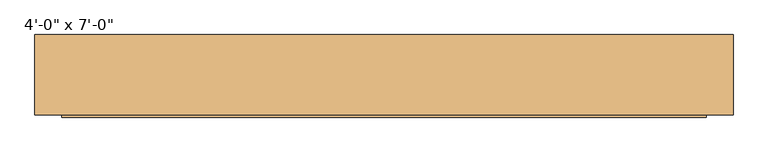
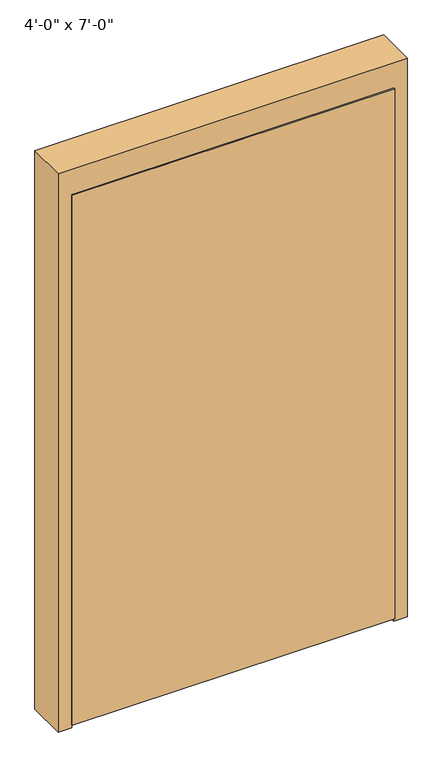
"""IFC4 building model written with IfcOpenShell, lengths in millimetres: door geometry."""

from ifc_helpers import new_model, si_unit, frame, origin, place, context, project, spatial, polyline, outline, extrude, source, transform, mapped, element, save


def door_f51f02f7(model_context):
    return source(origin(), model_context, "Body", "SweptSolid", [
        extrude(outline(polyline([(0.0, -609.6), (0.0, -596.9), (2120.9, -596.9), (2120.9, 596.9), (0.0, 596.9), (0.0, 609.6), (2133.6, 609.6), (2133.6, -609.6), (0.0, -609.6)])), frame((0.0, -20.6375, 0.0), z_axis=(0.0, 1.0, 0.0), x_axis=(0.0, 0.0, 1.0)), (0.0, 0.0, 1.0), 50.8),
        extrude(outline(polyline([(2235.2, 660.4), (2235.2, -660.4), (0.0, -660.4), (0.0, -609.6), (2133.6, -609.6), (2133.6, 609.6), (0.0, 609.6), (0.0, 660.4), (2235.2, 660.4)])), frame((0.0, -71.4375, 0.0), z_axis=(0.0, 1.0, 0.0), x_axis=(0.0, 0.0, 1.0)), (0.0, 0.0, 1.0), 152.4),
        extrude(outline(polyline([(-609.6, -76.2), (-609.6, -31.75), (609.6, -31.75), (609.6, -76.2), (-609.6, -76.2)])), frame((0.0, 0.0, 12.7), z_axis=(0.0, 0.0, 1.0), x_axis=(1.0, 0.0, 0.0)), (0.0, 0.0, 1.0), 2120.9),
    ])


if __name__ == "__main__":
    model = new_model("IFC4")
    model_context = context("Model", 3, world=origin())
    ifc_project = project(units=[si_unit("LENGTHUNIT", "METRE", prefix="MILLI")], contexts=[model_context])
    site = spatial("IfcSite", under=ifc_project)
    building = spatial("IfcBuilding", under=site)
    placement = place(None, origin())
    door_shape = door_f51f02f7(model_context)
    element("IfcDoor", 1, ObjectType="4'-0\" x 7'-0\"", at=placement, inside=building, context=model_context, shape_type="MappedRepresentation", body=[
        mapped(door_shape, transform((0.0, 0.0, 0.0), x_axis=(1.0, 0.0, 0.0), y_axis=(0.0, 1.0, 0.0), z_axis=(0.0, 0.0, 1.0))),
    ])
    save(model, "model.ifc")
